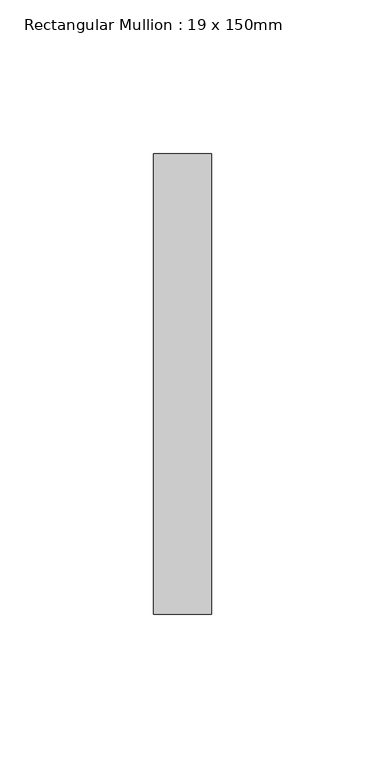
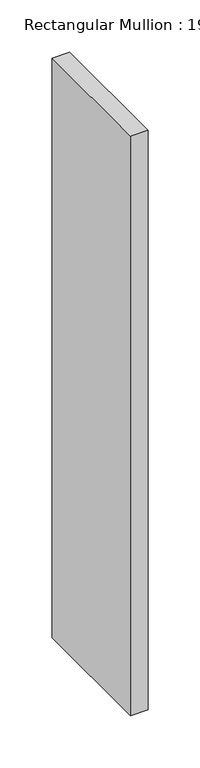
"""IFC4 building model written with IfcOpenShell, lengths in millimetres: member geometry, Rectangular Mullion : 19 x 150mm."""

from ifc_helpers import new_model, si_unit, frame, origin, place, context, project, spatial, polyline, outline, extrude, source, transform, mapped, element, save


def rectangular_mullion_19_x_150mm_19bb83b1(model_context):
    return source(origin(), model_context, "Body", "SweptSolid", [
        extrude(outline(polyline([(0.0, -25.0), (0.0, -175.0), (-19.0, -175.0), (-19.0, -25.0), (0.0, -25.0)])), frame((0.0, 0.0, -676.0180172), z_axis=(0.0, 0.0, 1.0), x_axis=(1.0, 0.0, 0.0)), (0.0, 0.0, 1.0), 676.0180172),
    ])


if __name__ == "__main__":
    model = new_model("IFC4")
    model_context = context("Model", 3, world=origin())
    ifc_project = project(units=[si_unit("LENGTHUNIT", "METRE", prefix="MILLI")], contexts=[model_context])
    site = spatial("IfcSite", under=ifc_project)
    building = spatial("IfcBuilding", under=site)
    placement = place(None, origin())
    rectangular_mullion_19_x_150mm_shape = rectangular_mullion_19_x_150mm_19bb83b1(model_context)
    element("IfcMember", 1, ObjectType="Rectangular Mullion : 19 x 150mm", at=placement, inside=building, context=model_context, shape_type="MappedRepresentation", body=[
        mapped(rectangular_mullion_19_x_150mm_shape, transform((0.0, 0.0, 0.0), x_axis=(1.0, 0.0, 0.0), y_axis=(0.0, 1.0, 0.0), z_axis=(0.0, 0.0, 1.0))),
    ])
    save(model, "model.ifc")
